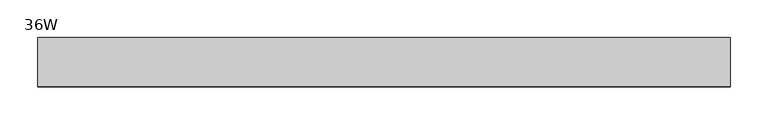
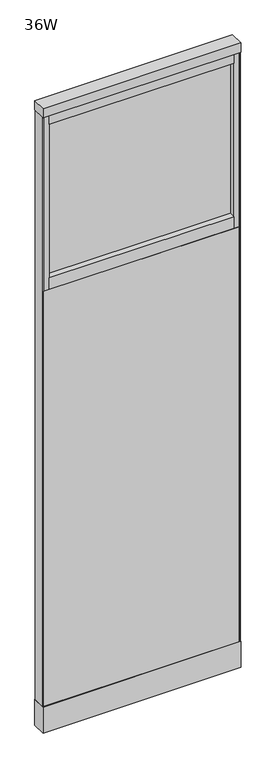
"""IFC4 building model written with IfcOpenShell, lengths in millimetres: plate geometry, 36W."""

from ifc_helpers import new_model, si_unit, frame, origin, origin_with_axes, place, context, project, spatial, polyline, outline, extrude, source, transform, mapped, element, save


def plate_36w_2815e089(model_context):
    return source(origin(), model_context, "Body", "SweptSolid", [
        extrude(outline(polyline([(457.2, -32.4103999), (-457.2, -32.4103999), (-457.2, 32.4104002), (457.2, 32.4104002), (457.2, -32.4103999)])), frame((0.0, 0.0, 3003.5500969), z_axis=(0.0, 0.0, 1.0), x_axis=(1.0, 0.0, 0.0)), (0.0, 0.0, 1.0), 44.4499031),
        extrude(outline(polyline([(451.7389479, 0.0), (-451.7389479, 0.0), (-451.7389479, 30.3783976), (451.7389479, 30.3783976), (451.7389479, 0.0)])), frame((0.0, 0.0, 127.0000061), z_axis=(0.0, 0.0, 1.0), x_axis=(1.0, 0.0, 0.0)), (0.0, 0.0, 1.0), 2025.6500424),
        extrude(outline(polyline([(451.7389479, -30.3783976), (-451.7389479, -30.3783976), (-451.7389479, 0.0), (451.7389479, 0.0), (451.7389479, -30.3783976)])), frame((0.0, 0.0, 127.0000061), z_axis=(0.0, 0.0, 1.0), x_axis=(1.0, 0.0, 0.0)), (0.0, 0.0, 1.0), 2025.6500424),
        extrude(outline(polyline([(457.2, -30.3783976), (451.7389479, -30.3783976), (451.7389479, 30.3783976), (457.2, 30.3783976), (457.2, -30.3783976)])), frame((0.0, 0.0, 127.0000061), z_axis=(0.0, 0.0, 1.0), x_axis=(1.0, 0.0, 0.0)), (0.0, 0.0, 1.0), 2876.5500908),
        extrude(outline(polyline([(-451.7389479, -30.3783976), (-457.2, -30.3783976), (-457.2, 30.3783976), (-451.7389479, 30.3783976), (-451.7389479, -30.3783976)])), frame((0.0, 0.0, 127.0000061), z_axis=(0.0, 0.0, 1.0), x_axis=(1.0, 0.0, 0.0)), (0.0, 0.0, 1.0), 2876.5500908),
        extrude(outline(polyline([(426.821549, -2.54), (-426.821549, -2.54), (-426.821549, 2.54), (426.821549, 2.54), (426.821549, -2.54)])), frame((0.0, 0.0, 2209.7999031), z_axis=(0.0, 0.0, 1.0), x_axis=(1.0, 0.0, 0.0)), (0.0, 0.0, 1.0), 749.3),
        extrude(outline(polyline([(426.821549, -30.3783976), (-426.821549, -30.3783976), (-426.821549, 30.3783976), (426.821549, 30.3783976), (426.821549, -30.3783976)])), frame((0.0, 0.0, 2959.0999031), z_axis=(0.0, 0.0, 1.0), x_axis=(1.0, 0.0, 0.0)), (0.0, 0.0, 1.0), 44.4501938),
        extrude(outline(polyline([(426.821549, -30.3783976), (-426.821549, -30.3783976), (-426.821549, 30.3783976), (426.821549, 30.3783976), (426.821549, -30.3783976)])), frame((0.0, 0.0, 2152.6500484), z_axis=(0.0, 0.0, 1.0), x_axis=(1.0, 0.0, 0.0)), (0.0, 0.0, 1.0), 57.1498547),
        extrude(outline(polyline([(451.7389479, -30.3783976), (426.821549, -30.3783976), (426.821549, 30.3783976), (451.7389479, 30.3783976), (451.7389479, -30.3783976)])), frame((0.0, 0.0, 2152.6500484), z_axis=(0.0, 0.0, 1.0), x_axis=(1.0, 0.0, 0.0)), (0.0, 0.0, 1.0), 850.9000484),
        extrude(outline(polyline([(-426.821549, -30.3783976), (-451.7389479, -30.3783976), (-451.7389479, 30.3783976), (-426.821549, 30.3783976), (-426.821549, -30.3783976)])), frame((0.0, 0.0, 2152.6500484), z_axis=(0.0, 0.0, 1.0), x_axis=(1.0, 0.0, 0.0)), (0.0, 0.0, 1.0), 850.9000484),
        extrude(outline(polyline([(457.2, -32.4103999), (-457.2, -32.4103999), (-457.2, 32.4104002), (457.2, 32.4104002), (457.2, -32.4103999)])), origin_with_axes(), (0.0, 0.0, 1.0), 127.0000061),
    ])


if __name__ == "__main__":
    model = new_model("IFC4")
    model_context = context("Model", 3, world=origin())
    ifc_project = project(units=[si_unit("LENGTHUNIT", "METRE", prefix="MILLI")], contexts=[model_context])
    site = spatial("IfcSite", under=ifc_project)
    building = spatial("IfcBuilding", under=site)
    placement = place(None, origin())
    plate_36w_shape = plate_36w_2815e089(model_context)
    element("IfcPlate", 1, ObjectType="36W", at=placement, inside=building, context=model_context, shape_type="MappedRepresentation", body=[
        mapped(plate_36w_shape, transform((0.0, 0.0, 0.0), x_axis=(1.0, 0.0, 0.0), y_axis=(0.0, 1.0, 0.0), z_axis=(0.0, 0.0, 1.0))),
    ])
    save(model, "model.ifc")
